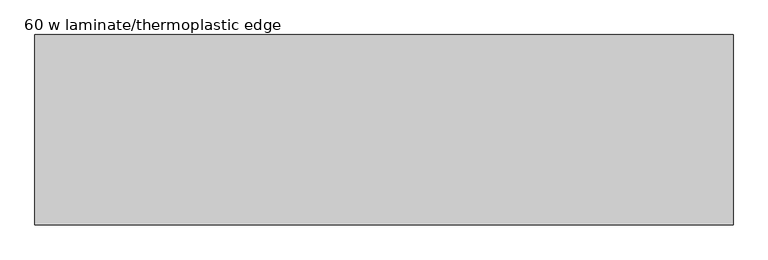
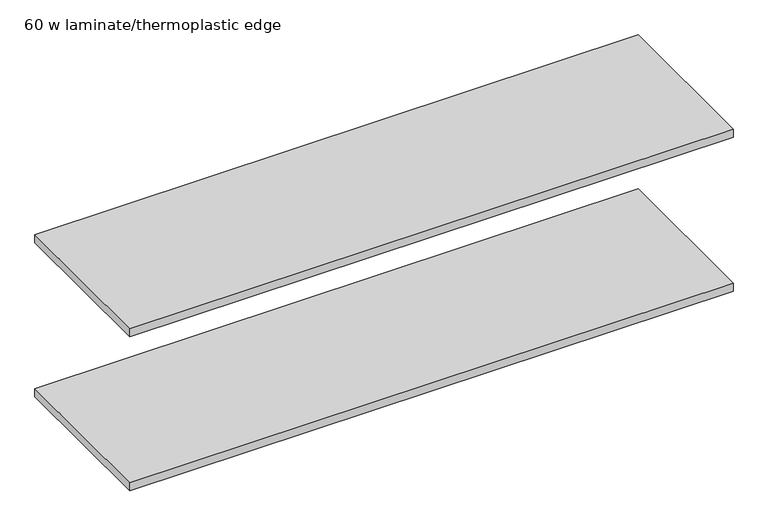
"""IFC4 building model written with IfcOpenShell, lengths in millimetres: furniture geometry, 60 w laminate/thermoplastic edge."""

from ifc_helpers import new_model, si_unit, frame, origin, place, context, project, spatial, polyline, outline, extrude, source, transform, mapped, element, save


def furniture_60_w_laminate_thermoplastic_edge_1beebf06(model_context):
    return source(origin(), model_context, "Body", "SweptSolid", [
        extrude(outline(polyline([(722.8999884, -197.000003), (-722.8999884, -197.000003), (-722.8999884, 197.000003), (722.8999884, 197.000003), (722.8999884, -197.000003)])), frame((0.0, 0.0, 849.7246599), z_axis=(0.0, 0.0, 1.0), x_axis=(1.0, 0.0, 0.0)), (0.0, 0.0, 1.0), 19.9898),
        extrude(outline(polyline([(722.8999884, -197.000003), (-722.8999884, -197.000003), (-722.8999884, 197.000003), (722.8999884, 197.000003), (722.8999884, -197.000003)])), frame((0.0, 0.0, 459.5140712), z_axis=(0.0, 0.0, 1.0), x_axis=(1.0, 0.0, 0.0)), (0.0, 0.0, 1.0), 19.9898),
    ])


if __name__ == "__main__":
    model = new_model("IFC4")
    model_context = context("Model", 3, world=origin())
    ifc_project = project(units=[si_unit("LENGTHUNIT", "METRE", prefix="MILLI")], contexts=[model_context])
    site = spatial("IfcSite", under=ifc_project)
    building = spatial("IfcBuilding", under=site)
    placement = place(None, origin())
    furniture_60_w_laminate_thermoplastic_edge_shape = furniture_60_w_laminate_thermoplastic_edge_1beebf06(model_context)
    element("IfcFurniture", 1, ObjectType="60 w laminate/thermoplastic edge", at=placement, inside=building, context=model_context, shape_type="MappedRepresentation", body=[
        mapped(furniture_60_w_laminate_thermoplastic_edge_shape, transform((0.0, 0.0, 0.0), x_axis=(1.0, 0.0, 0.0), y_axis=(0.0, 1.0, 0.0), z_axis=(0.0, 0.0, 1.0))),
    ])
    save(model, "model.ifc")
